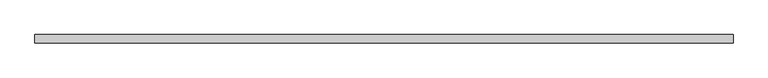
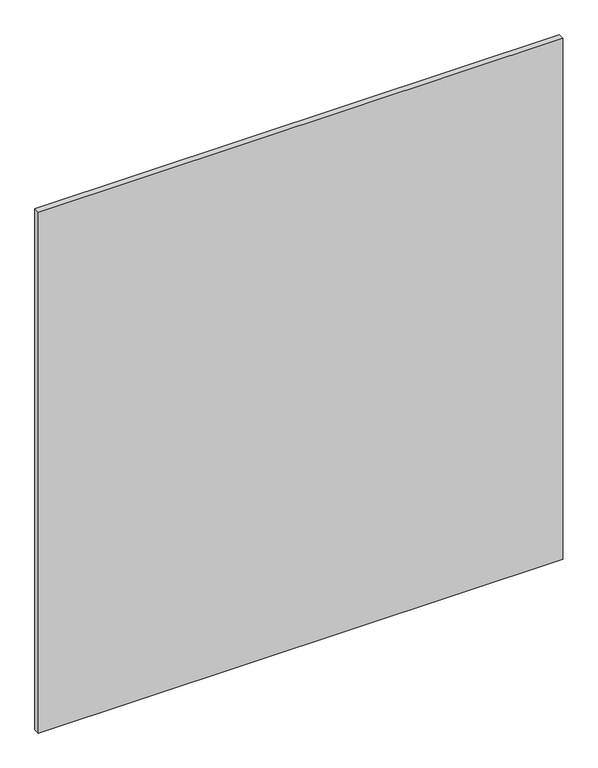
"""IFC4 building model written with IfcOpenShell, lengths in millimetres: plate geometry."""

from ifc_helpers import new_model, si_unit, origin, origin_with_axes, place, context, project, spatial, polyline, outline, extrude, source, transform, mapped, element, save


def plate_6ec65f7c(model_context):
    return source(origin(), model_context, "Body", "SweptSolid", [
        extrude(outline(polyline([(616.6, 7.25), (616.6, -7.25), (-616.6, -7.25), (-616.6, 7.25), (616.6, 7.25)])), origin_with_axes(), (0.0, 0.0, 1.0), 1295.5),
    ])


if __name__ == "__main__":
    model = new_model("IFC4")
    model_context = context("Model", 3, world=origin())
    ifc_project = project(units=[si_unit("LENGTHUNIT", "METRE", prefix="MILLI")], contexts=[model_context])
    site = spatial("IfcSite", under=ifc_project)
    building = spatial("IfcBuilding", under=site)
    placement = place(None, origin())
    plate_shape = plate_6ec65f7c(model_context)
    element("IfcPlate", 1, at=placement, inside=building, context=model_context, shape_type="MappedRepresentation", body=[
        mapped(plate_shape, transform((0.0, 0.0, 0.0), x_axis=(1.0, 0.0, 0.0), y_axis=(0.0, 1.0, 0.0), z_axis=(0.0, 0.0, 1.0))),
    ])
    save(model, "model.ifc")
